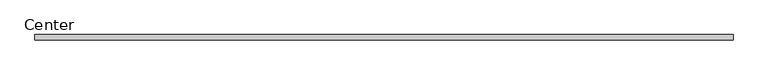
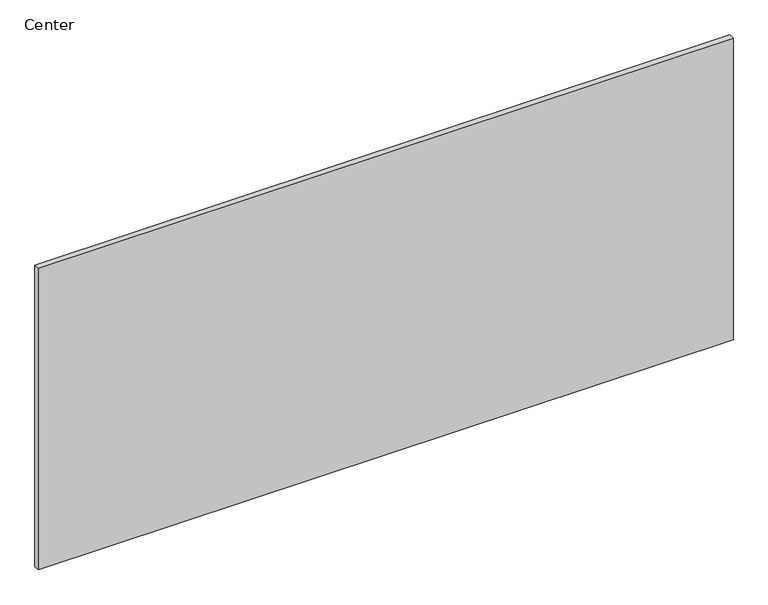
"""IFC4 building model written with IfcOpenShell, lengths in millimetres: plate geometry, Center."""

from ifc_helpers import new_model, si_unit, origin, origin_with_axes, place, context, project, spatial, polyline, outline, extrude, source, transform, mapped, element, save


def center_e2eda641(model_context):
    return source(origin(), model_context, "Body", "SweptSolid", [
        extrude(outline(polyline([(598.2374998, 4.7625), (598.2374998, -4.7625), (-598.2374998, -4.7625), (-598.2374998, 4.7625), (598.2374998, 4.7625)])), origin_with_axes(), (0.0, 0.0, 1.0), 549.1624989),
    ])


if __name__ == "__main__":
    model = new_model("IFC4")
    model_context = context("Model", 3, world=origin())
    ifc_project = project(units=[si_unit("LENGTHUNIT", "METRE", prefix="MILLI")], contexts=[model_context])
    site = spatial("IfcSite", under=ifc_project)
    building = spatial("IfcBuilding", under=site)
    placement = place(None, origin())
    center_shape = center_e2eda641(model_context)
    element("IfcPlate", 1, ObjectType="Center", at=placement, inside=building, context=model_context, shape_type="MappedRepresentation", body=[
        mapped(center_shape, transform((0.0, 0.0, 0.0), x_axis=(1.0, 0.0, 0.0), y_axis=(0.0, 1.0, 0.0), z_axis=(0.0, 0.0, 1.0))),
    ])
    save(model, "model.ifc")
